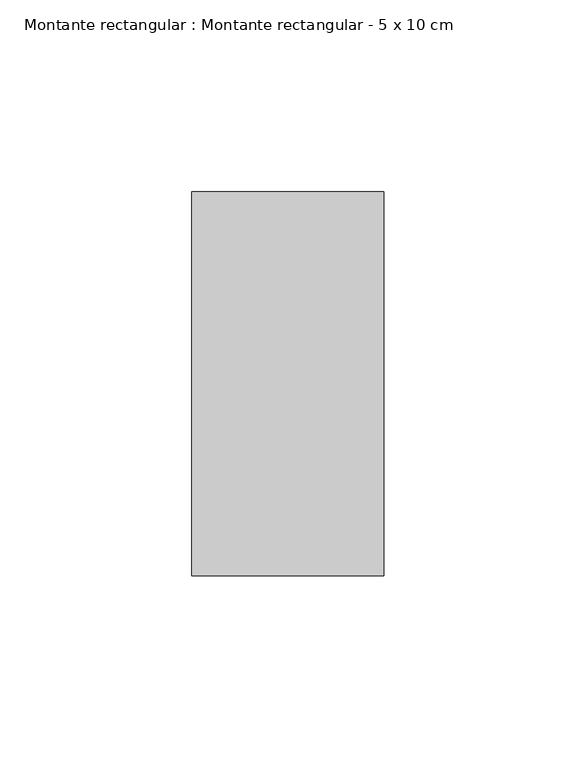
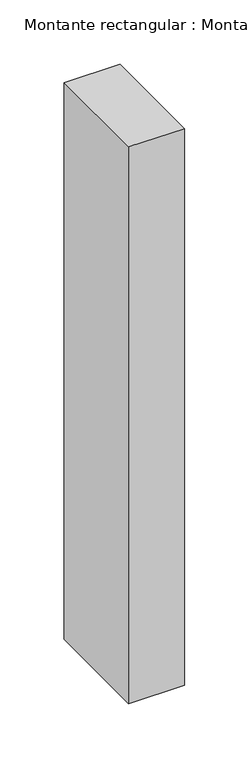
"""IFC4 building model written with IfcOpenShell, lengths in millimetres: member geometry, Montante rectangular : Montante rectangular - 5 x 10 cm."""

from ifc_helpers import new_model, si_unit, frame, origin, place, context, project, spatial, polyline, outline, extrude, source, transform, mapped, element, save


def montante_rectangular_montante_rectangular_5_x_10_cm_4b0cb6ee(model_context):
    return source(origin(), model_context, "Body", "SweptSolid", [
        extrude(outline(polyline([(25.0, 50.0), (25.0, -50.0), (-25.0, -50.0), (-25.0, 50.0), (25.0, 50.0)])), frame((0.0, 0.0, -527.0), z_axis=(0.0, 0.0, 1.0), x_axis=(1.0, 0.0, 0.0)), (0.0, 0.0, 1.0), 527.0),
    ])


if __name__ == "__main__":
    model = new_model("IFC4")
    model_context = context("Model", 3, world=origin())
    ifc_project = project(units=[si_unit("LENGTHUNIT", "METRE", prefix="MILLI")], contexts=[model_context])
    site = spatial("IfcSite", under=ifc_project)
    building = spatial("IfcBuilding", under=site)
    placement = place(None, origin())
    montante_rectangular_montante_rectangular_5_x_10_cm_shape = montante_rectangular_montante_rectangular_5_x_10_cm_4b0cb6ee(model_context)
    element("IfcMember", 1, ObjectType="Montante rectangular : Montante rectangular - 5 x 10 cm", at=placement, inside=building, context=model_context, shape_type="MappedRepresentation", body=[
        mapped(montante_rectangular_montante_rectangular_5_x_10_cm_shape, transform((0.0, 0.0, 0.0), x_axis=(1.0, 0.0, 0.0), y_axis=(0.0, 1.0, 0.0), z_axis=(0.0, 0.0, 1.0))),
    ])
    save(model, "model.ifc")
